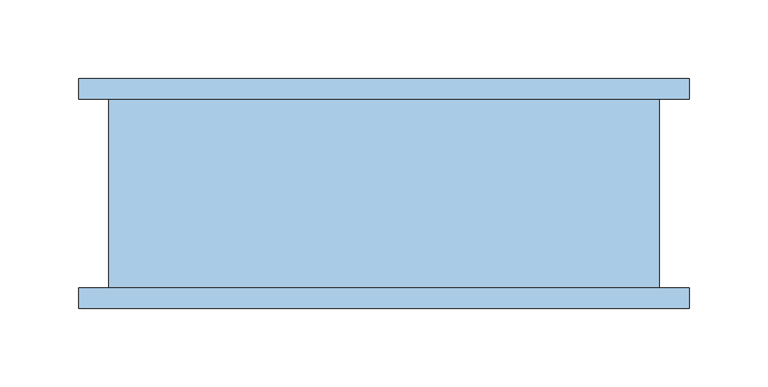
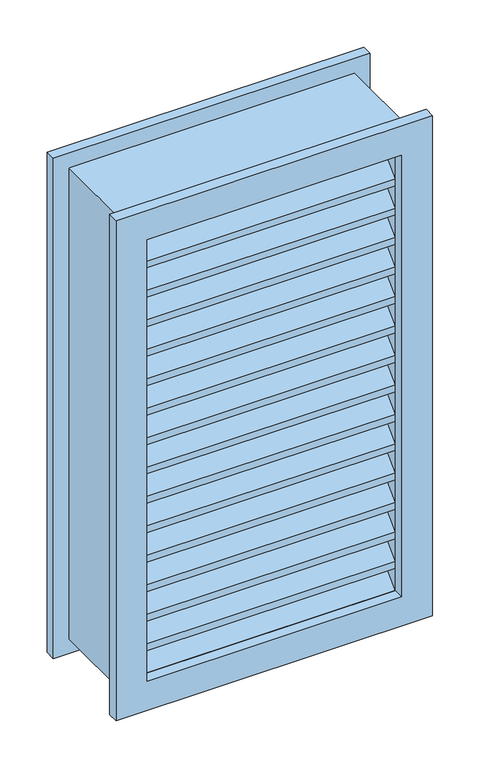
"""IFC4 building model written with IfcOpenShell, lengths in millimetres: window geometry."""

import ifcopenshell
import ifcopenshell.guid

model = None  # the IFC model being written
_history = None  # IfcOwnerHistory: only IFC2X3 demands one
_inside = {}  # id of a spatial element -> (the spatial element, [elements in it])
_under = {}  # id of a project, library or spatial element -> (it, [spatial elements below it])
_declared = {}  # id of a project -> (the project, [libraries it declares])
_typed = {}  # id of a type object -> (the type object, [elements of that type])
_made_of = {}  # id of a material, layer set ... -> (it, [elements and type objects made of it])


def new_model(schema):
    """Start an empty IFC model of exactly this schema.

    Asked for "IFC4X3", IfcOpenShell would pick the latest addendum, in which some entities
    have other attributes; the version numbers below select the first issue.
    IFC2X3 requires an IfcOwnerHistory on every rooted entity: one is made here for all.
    """
    global model, _history
    if schema == "IFC4X3":
        model = ifcopenshell.file(schema_version=(4, 3, 0, 0))
    else:
        model = ifcopenshell.file(schema=schema)
    _inside.clear()
    _under.clear()
    _declared.clear()
    _typed.clear()
    _made_of.clear()
    _history = None
    if model.schema == "IFC2X3":
        org = make("IfcOrganization", Name="unknown")
        user = make(
            "IfcPersonAndOrganization",
            ThePerson=make("IfcPerson", FamilyName="unknown"),
            TheOrganization=org,
        )
        app = make(
            "IfcApplication",
            ApplicationDeveloper=org,
            Version="unknown",
            ApplicationFullName="unknown",
            ApplicationIdentifier="unknown",
        )
        _history = make(
            "IfcOwnerHistory",
            OwningUser=user,
            OwningApplication=app,
            ChangeAction="ADDED",
            CreationDate=0,
        )
    return model


def make(cls, **values):
    """One entity of the class cls with the attributes given. An attribute that is None is left unset."""
    return model.create_entity(
        cls, **{name: value for name, value in values.items() if value is not None}
    )


def rooted(cls, **values):
    """An entity with a GlobalId (a new one), such as an element, a storey or a relation."""
    return make(cls, GlobalId=ifcopenshell.guid.new(), OwnerHistory=_history, **values)


def si_unit(unit_type, name, prefix=None):
    """IfcSIUnit, for example si_unit("LENGTHUNIT", "METRE", prefix="MILLI")."""
    return make("IfcSIUnit", UnitType=unit_type, Prefix=prefix, Name=name)


def assignment(units):
    """IfcUnitAssignment: the units of a project."""
    return None if units is None else make("IfcUnitAssignment", Units=units)


def point(xyz):
    """IfcCartesianPoint."""
    return None if xyz is None else make("IfcCartesianPoint", Coordinates=xyz)


def direction(xyz):
    """IfcDirection."""
    return None if xyz is None else make("IfcDirection", DirectionRatios=xyz)


def frame(location, z_axis=None, x_axis=None):
    """IfcAxis2Placement3D, a coordinate frame: its origin and axes. An axis left out is left unset."""
    return make(
        "IfcAxis2Placement3D",
        Location=point(location),
        Axis=direction(z_axis),
        RefDirection=direction(x_axis),
    )


def origin():
    """The frame at (0, 0, 0) with its axes left unset."""
    return frame((0.0, 0.0, 0.0))


def place(relative_to, where):
    """IfcLocalPlacement: puts the frame where relative to a parent placement (None: the world)."""
    return make(
        "IfcLocalPlacement", PlacementRelTo=relative_to, RelativePlacement=where
    )


def context(
    kind, dimensions, precision=None, world=None, true_north=None, identifier=None
):
    """IfcGeometricRepresentationContext, for example the 3D "Model" context."""
    return make(
        "IfcGeometricRepresentationContext",
        ContextIdentifier=identifier,
        ContextType=kind,
        CoordinateSpaceDimension=dimensions,
        Precision=precision,
        WorldCoordinateSystem=world,
        TrueNorth=true_north,
    )


def project(units=None, contexts=None):
    """IfcProject with its units and contexts."""
    return rooted(
        "IfcProject",
        Name="project",
        RepresentationContexts=contexts,
        UnitsInContext=assignment(units),
    )


def spatial(cls, under=None, at=None, **own):
    """A site, building, storey or space (cls), placed at a placement, below another one or the project."""
    s = rooted(cls, ObjectPlacement=at, **own)
    if under is not None:
        _under.setdefault(under.id(), (under, []))[1].append(s)
    return s


def polyline(points):
    """IfcPolyline through the points."""
    return make("IfcPolyline", Points=[point(p) for p in points])


def outline(outer, holes=None, kind="AREA"):
    """IfcArbitraryClosedProfileDef: a profile drawn as a closed curve; with holes, ...WithVoids."""
    if holes is None:
        return make("IfcArbitraryClosedProfileDef", ProfileType=kind, OuterCurve=outer)
    return make(
        "IfcArbitraryProfileDefWithVoids",
        ProfileType=kind,
        OuterCurve=outer,
        InnerCurves=holes,
    )


def extrude(swept, where, along, depth):
    """IfcExtrudedAreaSolid: the profile swept, set in the frame where, extruded along a direction by depth."""
    return make(
        "IfcExtrudedAreaSolid",
        SweptArea=swept,
        Position=where,
        ExtrudedDirection=direction(along),
        Depth=depth,
    )


def shape(context_of_items, identifier, shape_type, items):
    """IfcShapeRepresentation: the items that make up one representation, for example the "Body"."""
    return make(
        "IfcShapeRepresentation",
        ContextOfItems=context_of_items,
        RepresentationIdentifier=identifier,
        RepresentationType=shape_type,
        Items=items,
    )


def source(mapping_origin, context_of_items, identifier, shape_type, items):
    """IfcRepresentationMap: a shape defined once, which mapped items show again and again."""
    return make(
        "IfcRepresentationMap",
        MappingOrigin=mapping_origin,
        MappedRepresentation=shape(context_of_items, identifier, shape_type, items),
    )


def transform(
    local_origin,
    x_axis=None,
    y_axis=None,
    z_axis=None,
    scale=None,
    scale2=None,
    scale3=None,
    uniform=True,
):
    """IfcCartesianTransformationOperator3D, or its non-uniform kind. x_axis, y_axis, z_axis: its Axis1, 2, 3."""
    if uniform:
        return make(
            "IfcCartesianTransformationOperator3D",
            Axis1=direction(x_axis),
            Axis2=direction(y_axis),
            LocalOrigin=point(local_origin),
            Scale=scale,
            Axis3=direction(z_axis),
        )
    return make(
        "IfcCartesianTransformationOperator3DnonUniform",
        Axis1=direction(x_axis),
        Axis2=direction(y_axis),
        LocalOrigin=point(local_origin),
        Scale=scale,
        Axis3=direction(z_axis),
        Scale2=scale2,
        Scale3=scale3,
    )


def mapped(mapping_source, mapping_target):
    """IfcMappedItem: shows the shape of a source again, moved by a transform."""
    return make(
        "IfcMappedItem", MappingSource=mapping_source, MappingTarget=mapping_target
    )


def made_of(thing, what):
    """Note that an element or type object is made of a material, layer set ...; save() writes the relation."""
    if what is not None:
        _made_of.setdefault(what.id(), (what, []))[1].append(thing)
    return thing


def element(
    cls,
    number,
    at=None,
    inside=None,
    cuts=None,
    type_object=None,
    material=None,
    context=None,
    identifier="Body",
    shape_type=None,
    held_by="IfcProductDefinitionShape",
    body=None,
    shapes=None,
    **own,
):
    """One element of the class cls, such as IfcWall. Its Tag is "e" and its number.

    at: its placement. inside: the storey or other place that contains it. cuts: it is an
    opening in that element (IfcRelVoidsElement). A single representation is given by context,
    identifier, shape_type and body (its items); several are given by shapes. held_by: the class
    of the entity that holds the representations. save() writes the other relations.
    """
    e = rooted(cls, Tag="e%d" % number, ObjectPlacement=at, **own)
    if body is not None:
        shapes = [shape(context, identifier, shape_type, body)]
    if shapes is not None:
        e.Representation = make(held_by, Representations=shapes)
    if inside is not None:
        _inside.setdefault(inside.id(), (inside, []))[1].append(e)
    if cuts is not None:
        rooted(
            "IfcRelVoidsElement", RelatingBuildingElement=cuts, RelatedOpeningElement=e
        )
    if type_object is not None:
        _typed.setdefault(type_object.id(), (type_object, []))[1].append(e)
    return made_of(e, material)


def aggregate(whole, parts):
    """IfcRelAggregates: a whole, such as a stair, and the parts it consists of."""
    return rooted("IfcRelAggregates", RelatingObject=whole, RelatedObjects=parts)


def save(model, path):
    """Write the relations noted so far, then the file.

    IfcRelAggregates (storeys below a building ...), IfcRelContainedInSpatialStructure (elements
    in a storey), IfcRelDefinesByType, IfcRelAssociatesMaterial and IfcRelDeclares: one each for
    every whole, place, type object, material and project.
    """
    for whole, parts in _under.values():
        aggregate(whole, parts)
    for where, things in _inside.values():
        rooted(
            "IfcRelContainedInSpatialStructure",
            RelatedElements=things,
            RelatingStructure=where,
        )
    for kind, things in _typed.values():
        rooted("IfcRelDefinesByType", RelatedObjects=things, RelatingType=kind)
    for what, things in _made_of.values():
        rooted("IfcRelAssociatesMaterial", RelatedObjects=things, RelatingMaterial=what)
    for by, libraries in _declared.values():
        rooted("IfcRelDeclares", RelatingContext=by, RelatedDefinitions=libraries)
    model.write(path)


def window_8e995d6f(model_context):
    return source(origin(), model_context, "Body", "SweptSolid", [
        extrude(outline(polyline([(1543.55, -193.95), (896.05, -193.95), (896.05, 193.95), (1543.55, 193.95), (1543.55, -193.95)]), holes=[polyline([(1505.55, -155.95), (1505.55, 155.95), (934.05, 155.95), (934.05, -155.95), (1505.55, -155.95)])]), frame((0.0, -66.65, 0.0), z_axis=(0.0, 1.0, 0.0), x_axis=(0.0, 0.0, 1.0)), (0.0, 0.0, 1.0), 13.0),
        extrude(outline(polyline([(1543.55, 193.95), (1543.55, -193.95), (896.05, -193.95), (896.05, 193.95), (1543.55, 193.95)]), holes=[polyline([(1505.55, 155.95), (934.05, 155.95), (934.05, -155.95), (1505.55, -155.95), (1505.55, 155.95)])]), frame((0.0, 66.35, 0.0), z_axis=(0.0, 1.0, 0.0), x_axis=(0.0, 0.0, 1.0)), (0.0, 0.0, 1.0), 13.0),
        extrude(outline(polyline([(1524.6, 175.0), (1524.6, -175.0), (915.0, -175.0), (915.0, 175.0), (1524.6, 175.0)]), holes=[polyline([(1505.55, 155.95), (934.05, 155.95), (934.05, -155.95), (1505.55, -155.95), (1505.55, 155.95)])]), frame((0.0, -53.65, 0.0), z_axis=(0.0, 1.0, 0.0), x_axis=(0.0, 0.0, 1.0)), (0.0, 0.0, 1.0), 120.0),
        extrude(outline(polyline([(-17.7289755, 969.9710245), (18.192049, 934.05), (9.2117928, 934.05), (-17.7289755, 960.9907684), (-44.6697439, 934.05), (-53.65, 934.05), (-17.7289755, 969.9710245)])), frame((-155.95, 0.0, 0.0), z_axis=(1.0, 0.0, 0.0), x_axis=(0.0, 1.0, 0.0)), (0.0, 0.0, 1.0), 311.9),
        extrude(outline(polyline([(-17.7289755, 1008.0710245), (18.192049, 972.15), (18.192049, 963.1697439), (-17.7289755, 999.0907684), (-53.65, 963.1697439), (-53.65, 972.15), (-17.7289755, 1008.0710245)])), frame((-155.95, 0.0, 0.0), z_axis=(1.0, 0.0, 0.0), x_axis=(0.0, 1.0, 0.0)), (0.0, 0.0, 1.0), 311.9),
        extrude(outline(polyline([(-17.7289755, 1046.1710245), (18.192049, 1010.25), (18.192049, 1001.2697439), (-17.7289755, 1037.1907684), (-53.65, 1001.2697439), (-53.65, 1010.25), (-17.7289755, 1046.1710245)])), frame((-155.95, 0.0, 0.0), z_axis=(1.0, 0.0, 0.0), x_axis=(0.0, 1.0, 0.0)), (0.0, 0.0, 1.0), 311.9),
        extrude(outline(polyline([(-17.7289755, 1084.2710245), (18.192049, 1048.35), (18.192049, 1039.3697439), (-17.7289755, 1075.2907684), (-53.65, 1039.3697439), (-53.65, 1048.35), (-17.7289755, 1084.2710245)])), frame((-155.95, 0.0, 0.0), z_axis=(1.0, 0.0, 0.0), x_axis=(0.0, 1.0, 0.0)), (0.0, 0.0, 1.0), 311.9),
        extrude(outline(polyline([(-17.7289755, 1122.3710245), (18.192049, 1086.45), (18.192049, 1077.4697439), (-17.7289755, 1113.3907684), (-53.65, 1077.4697439), (-53.65, 1086.45), (-17.7289755, 1122.3710245)])), frame((-155.95, 0.0, 0.0), z_axis=(1.0, 0.0, 0.0), x_axis=(0.0, 1.0, 0.0)), (0.0, 0.0, 1.0), 311.9),
        extrude(outline(polyline([(-17.7289755, 1160.4710245), (18.192049, 1124.55), (18.192049, 1115.5697439), (-17.7289755, 1151.4907684), (-53.65, 1115.5697439), (-53.65, 1124.55), (-17.7289755, 1160.4710245)])), frame((-155.95, 0.0, 0.0), z_axis=(1.0, 0.0, 0.0), x_axis=(0.0, 1.0, 0.0)), (0.0, 0.0, 1.0), 311.9),
        extrude(outline(polyline([(-17.7289755, 1198.5710245), (18.192049, 1162.65), (18.192049, 1153.6697439), (-17.7289755, 1189.5907684), (-53.65, 1153.6697439), (-53.65, 1162.65), (-17.7289755, 1198.5710245)])), frame((-155.95, 0.0, 0.0), z_axis=(1.0, 0.0, 0.0), x_axis=(0.0, 1.0, 0.0)), (0.0, 0.0, 1.0), 311.9),
        extrude(outline(polyline([(-17.7289755, 1236.6710245), (18.192049, 1200.75), (18.192049, 1191.7697439), (-17.7289755, 1227.6907684), (-53.65, 1191.7697439), (-53.65, 1200.75), (-17.7289755, 1236.6710245)])), frame((-155.95, 0.0, 0.0), z_axis=(1.0, 0.0, 0.0), x_axis=(0.0, 1.0, 0.0)), (0.0, 0.0, 1.0), 311.9),
        extrude(outline(polyline([(-17.7289755, 1274.7710245), (18.192049, 1238.85), (18.192049, 1229.8697439), (-17.7289755, 1265.7907684), (-53.65, 1229.8697439), (-53.65, 1238.85), (-17.7289755, 1274.7710245)])), frame((-155.95, 0.0, 0.0), z_axis=(1.0, 0.0, 0.0), x_axis=(0.0, 1.0, 0.0)), (0.0, 0.0, 1.0), 311.9),
        extrude(outline(polyline([(-17.7289755, 1312.8710245), (18.192049, 1276.95), (18.192049, 1267.9697439), (-17.7289755, 1303.8907684), (-53.65, 1267.9697439), (-53.65, 1276.95), (-17.7289755, 1312.8710245)])), frame((-155.95, 0.0, 0.0), z_axis=(1.0, 0.0, 0.0), x_axis=(0.0, 1.0, 0.0)), (0.0, 0.0, 1.0), 311.9),
        extrude(outline(polyline([(-17.7289755, 1350.9710245), (18.192049, 1315.05), (18.192049, 1306.0697439), (-17.7289755, 1341.9907684), (-53.65, 1306.0697439), (-53.65, 1315.05), (-17.7289755, 1350.9710245)])), frame((-155.95, 0.0, 0.0), z_axis=(1.0, 0.0, 0.0), x_axis=(0.0, 1.0, 0.0)), (0.0, 0.0, 1.0), 311.9),
        extrude(outline(polyline([(-17.7289755, 1389.0710245), (18.192049, 1353.15), (18.192049, 1344.1697439), (-17.7289755, 1380.0907684), (-53.65, 1344.1697439), (-53.65, 1353.15), (-17.7289755, 1389.0710245)])), frame((-155.95, 0.0, 0.0), z_axis=(1.0, 0.0, 0.0), x_axis=(0.0, 1.0, 0.0)), (0.0, 0.0, 1.0), 311.9),
        extrude(outline(polyline([(-17.7289755, 1427.1710245), (18.192049, 1391.25), (18.192049, 1382.2697439), (-17.7289755, 1418.1907684), (-53.65, 1382.2697439), (-53.65, 1391.25), (-17.7289755, 1427.1710245)])), frame((-155.95, 0.0, 0.0), z_axis=(1.0, 0.0, 0.0), x_axis=(0.0, 1.0, 0.0)), (0.0, 0.0, 1.0), 311.9),
        extrude(outline(polyline([(-17.7289755, 1465.1710245), (18.192049, 1429.35), (18.192049, 1420.3697439), (-17.7289755, 1456.2907684), (-53.65, 1420.3697439), (-53.65, 1429.35), (-17.7289755, 1465.1710245)])), frame((-155.95, 0.0, 0.0), z_axis=(1.0, 0.0, 0.0), x_axis=(0.0, 1.0, 0.0)), (0.0, 0.0, 1.0), 311.9),
        extrude(outline(polyline([(-17.7289755, 1503.2710245), (18.192049, 1467.35), (18.192049, 1458.3697439), (-17.7289755, 1494.2907684), (-53.65, 1458.3697439), (-53.65, 1467.35), (-17.7289755, 1503.2710245)])), frame((-155.95, 0.0, 0.0), z_axis=(1.0, 0.0, 0.0), x_axis=(0.0, 1.0, 0.0)), (0.0, 0.0, 1.0), 311.9),
    ])


if __name__ == "__main__":
    model = new_model("IFC4")
    model_context = context("Model", 3, world=origin())
    ifc_project = project(units=[si_unit("LENGTHUNIT", "METRE", prefix="MILLI")], contexts=[model_context])
    site = spatial("IfcSite", under=ifc_project)
    building = spatial("IfcBuilding", under=site)
    placement = place(None, origin())
    window_shape = window_8e995d6f(model_context)
    element("IfcWindow", 1, at=placement, inside=building, context=model_context, shape_type="MappedRepresentation", body=[
        mapped(window_shape, transform((0.0, 0.0, 0.0), x_axis=(1.0, 0.0, 0.0), y_axis=(0.0, 1.0, 0.0), z_axis=(0.0, 0.0, 1.0))),
    ])
    save(model, "model.ifc")
